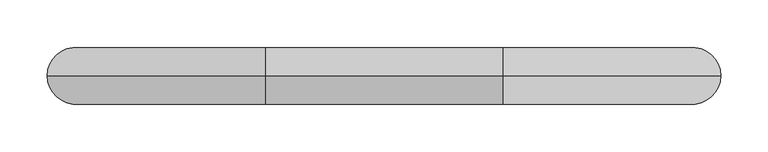
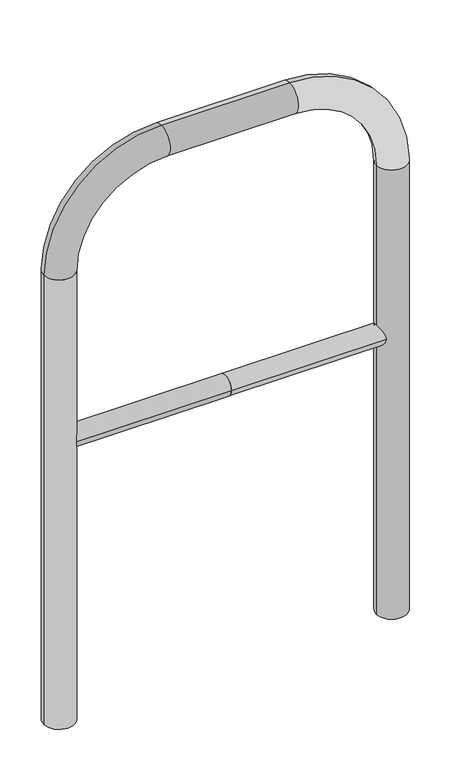
"""IFC4 building model written with IfcOpenShell, lengths in millimetres: proxy geometry."""

from ifc_helpers import new_model, si_unit, point, frame, frame_2d, origin, place, context, project, spatial, circle_curve, ellipse_curve, trimmed, segment, composite_curve, outline, extrude, source, transform, mapped, element, save
from ifc_brep_helpers import plane_surface, cylinder_surface, revolved_surface, advanced_brep


def generic_models_ac77b487(model_context):
    return source(origin(), model_context, "Body", "SolidModel", [
        extrude(outline(composite_curve([segment(trimmed(circle_curve(frame_2d((0.0, 498.4778375)), 20.0), [point((20.0, 498.4778375))], [point((-20.0, 498.4778375))], False, "CARTESIAN"), True, "CONTINUOUS"), segment(trimmed(circle_curve(frame_2d((0.0, 498.4778375)), 20.0), [point((-20.0, 498.4778375))], [point((20.0, 498.4778375))], False, "CARTESIAN"), True, "CONTINUOUS")], self_intersect=False)), frame((-325.512174, 0.0, 0.0), z_axis=(1.0, 0.0, 0.0), x_axis=(0.0, 1.0, 0.0)), (0.0, 0.0, 1.0), 325.512174),
        extrude(outline(composite_curve([segment(trimmed(circle_curve(frame_2d((0.0, 498.4778375)), 20.0), [point((20.0, 498.4778375))], [point((-20.0, 498.4778375))], False, "CARTESIAN"), True, "CONTINUOUS"), segment(trimmed(circle_curve(frame_2d((0.0, 498.4778375)), 20.0), [point((-20.0, 498.4778375))], [point((20.0, 498.4778375))], False, "CARTESIAN"), True, "CONTINUOUS")], self_intersect=False)), frame((0.0, 0.0, 0.0), z_axis=(1.0, 0.0, 0.0), x_axis=(0.0, 1.0, 0.0)), (0.0, 0.0, 1.0), 325.512174),
        advanced_brep(
        [(-295.512174, 0.0, -80.0), (-355.512174, 0.0, -80.0), (-355.512174, 0.0, 850.0), (-295.512174, 0.0, 850.0), (-125.512174, 0.0, 1080.0), (-125.512174, 0.0, 1020.0), (125.512174, 0.0, 1080.0), (125.512174, 0.0, 1020.0), (355.512174, 0.0, 850.0), (295.512174, 0.0, 850.0), (295.512174, 0.0, -80.0), (355.512174, 0.0, -80.0)],
        [
            (0, 1, circle_curve(frame((-325.512174, 0.0, -80.0), z_axis=(0.0, 0.0, -1.0), x_axis=(-1.0, 0.0, 0.0)), 30.0)),
            (1, 0, circle_curve(frame((-325.512174, 0.0, -80.0), z_axis=(0.0, 0.0, -1.0), x_axis=(-1.0, 0.0, 0.0)), 30.0)),
            (1, 2),
            (2, 3, circle_curve(frame((-325.512174, 0.0, 850.0), z_axis=(0.0, 0.0, -1.0), x_axis=(-1.0, 0.0, 0.0)), 30.0)),
            (3, 0),
            (3, 2, circle_curve(frame((-325.512174, 0.0, 850.0), z_axis=(0.0, 0.0, -1.0), x_axis=(-1.0, 0.0, 0.0)), 30.0)),
            (4, 5, circle_curve(frame((-125.512174, 0.0, 1050.0), z_axis=(-1.0, 0.0, 0.0), x_axis=(0.0, 0.0, 1.0)), 30.0)),
            (5, 3, circle_curve(frame((-125.512174, 0.0, 850.0), z_axis=(0.0, -1.0, 0.0), x_axis=(-1.0, 0.0, 0.0)), 170.0)),
            (2, 4, circle_curve(frame((-125.512174, 0.0, 850.0), z_axis=(0.0, 1.0, 0.0), x_axis=(-1.0, 0.0, 0.0)), 230.0)),
            (5, 4, circle_curve(frame((-125.512174, 0.0, 1050.0), z_axis=(-1.0, 0.0, 0.0), x_axis=(0.0, 0.0, 1.0)), 30.0)),
            (4, 6),
            (6, 7, circle_curve(frame((125.512174, 0.0, 1050.0), z_axis=(-1.0, 0.0, 0.0), x_axis=(0.0, 0.0, 1.0)), 30.0)),
            (7, 5),
            (7, 6, circle_curve(frame((125.512174, 0.0, 1050.0), z_axis=(-1.0, 0.0, 0.0), x_axis=(0.0, 0.0, 1.0)), 30.0)),
            (8, 9, circle_curve(frame((325.512174, 0.0, 850.0), z_axis=(0.0, 0.0, 1.0), x_axis=(1.0, 0.0, 0.0)), 30.0)),
            (9, 7, circle_curve(frame((125.512174, 0.0, 850.0), z_axis=(0.0, -1.0, 0.0), x_axis=(0.0, 0.0, 1.0)), 170.0)),
            (6, 8, circle_curve(frame((125.512174, 0.0, 850.0), z_axis=(0.0, 1.0, 0.0), x_axis=(0.0, 0.0, 1.0)), 230.0)),
            (9, 8, circle_curve(frame((325.512174, 0.0, 850.0), z_axis=(0.0, 0.0, 1.0), x_axis=(1.0, 0.0, 0.0)), 30.0)),
            (10, 11, circle_curve(frame((325.512174, 0.0, -80.0), z_axis=(0.0, 0.0, -1.0), x_axis=(1.0, 0.0, 0.0)), 30.0)),
            (11, 10, circle_curve(frame((325.512174, 0.0, -80.0), z_axis=(0.0, 0.0, -1.0), x_axis=(1.0, 0.0, 0.0)), 30.0)),
            (8, 11),
            (10, 9),
        ],
        [
            plane_surface(frame((-325.512174, 0.0, -80.0), z_axis=(0.0, 0.0, -1.0), x_axis=(0.0, 1.0, 0.0))),
            cylinder_surface(frame((-325.512174, 0.0, -80.0), z_axis=(0.0, 0.0, -1.0), x_axis=(-1.0, 0.0, 0.0)), 30.0),
            revolved_surface(trimmed(ellipse_curve(frame((-325.512174, 0.0, 850.0), z_axis=(0.0, 0.0, 1.0), x_axis=(-1.0, 0.0, 0.0)), 30.0, 30.0), [point((-295.512174, 0.0, 850.0))], [point((-355.512174, 0.0, 850.0))], True, "CARTESIAN"), (-125.512174, 0.0, 850.0), (0.0, -1.0, 0.0)),
            revolved_surface(trimmed(ellipse_curve(frame((-325.512174, 0.0, 850.0), z_axis=(0.0, 0.0, 1.0), x_axis=(-1.0, 0.0, 0.0)), 30.0, 30.0), [point((-355.512174, 0.0, 850.0))], [point((-295.512174, 0.0, 850.0))], True, "CARTESIAN"), (-125.512174, 0.0, 850.0), (0.0, -1.0, 0.0)),
            cylinder_surface(frame((-125.512174, 0.0, 1050.0), z_axis=(-1.0, 0.0, 0.0), x_axis=(0.0, 0.0, 1.0)), 30.0),
            revolved_surface(trimmed(ellipse_curve(frame((125.512174, 0.0, 1050.0), z_axis=(1.0, 0.0, 0.0), x_axis=(0.0, 0.0, 1.0)), 30.0, 30.0), [point((125.512174, 0.0, 1020.0))], [point((125.512174, 0.0, 1080.0))], True, "CARTESIAN"), (125.512174, 0.0, 850.0), (0.0, -1.0, 0.0)),
            revolved_surface(trimmed(ellipse_curve(frame((125.512174, 0.0, 1050.0), z_axis=(1.0, 0.0, 0.0), x_axis=(0.0, 0.0, 1.0)), 30.0, 30.0), [point((125.512174, 0.0, 1080.0))], [point((125.512174, 0.0, 1020.0))], True, "CARTESIAN"), (125.512174, 0.0, 850.0), (0.0, -1.0, 0.0)),
            plane_surface(frame((325.512174, 0.0, -80.0), z_axis=(0.0, 0.0, -1.0), x_axis=(0.0, 1.0, 0.0))),
            cylinder_surface(frame((325.512174, 0.0, 850.0), z_axis=(0.0, 0.0, 1.0), x_axis=(1.0, 0.0, 0.0)), 30.0),
        ],
        [
            (0, [[1, 2]]),
            (1, [[3, 4, 5, -2]]),
            (1, [[-5, 6, -3, -1]]),
            (2, [[7, 8, -4, 9]]),
            (3, [[10, -9, -6, -8]]),
            (4, [[11, 12, 13, -7]]),
            (4, [[-13, 14, -11, -10]]),
            (5, [[15, 16, -12, 17]]),
            (6, [[18, -17, -14, -16]]),
            (7, [[19, 20]]),
            (8, [[21, -19, 22, -15]]),
            (8, [[-22, -20, -21, -18]]),
        ],
    ),
    ])


if __name__ == "__main__":
    model = new_model("IFC4")
    model_context = context("Model", 3, world=origin())
    ifc_project = project(units=[si_unit("LENGTHUNIT", "METRE", prefix="MILLI")], contexts=[model_context])
    site = spatial("IfcSite", under=ifc_project)
    building = spatial("IfcBuilding", under=site)
    placement = place(None, origin())
    generic_models_shape = generic_models_ac77b487(model_context)
    element("IfcBuildingElementProxy", 1, Name="Generic Models", at=placement, inside=building, context=model_context, shape_type="MappedRepresentation", body=[
        mapped(generic_models_shape, transform((0.0, 0.0, 0.0), x_axis=(1.0, 0.0, 0.0), y_axis=(0.0, 1.0, 0.0), z_axis=(0.0, 0.0, 1.0))),
    ])
    save(model, "model.ifc")
